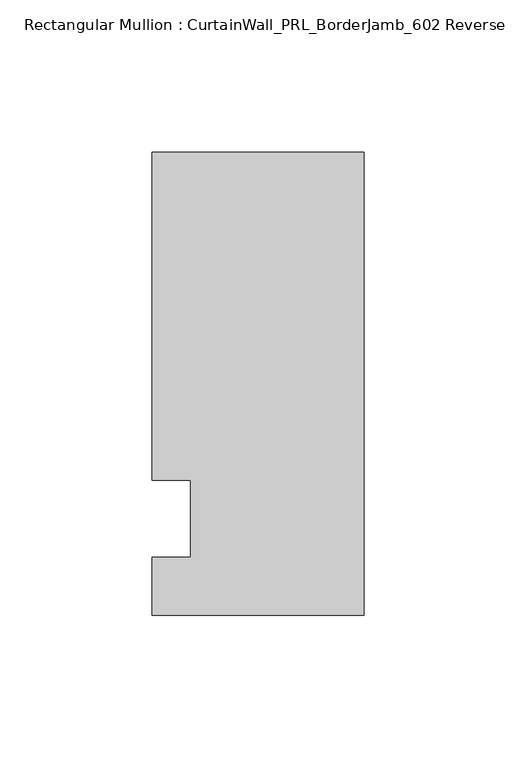
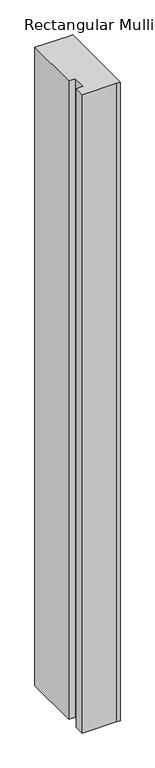
"""IFC4 building model written with IfcOpenShell, lengths in millimetres: member geometry, Rectangular Mullion : CurtainWall_PRL_BorderJamb_602 Reverse."""

from ifc_helpers import new_model, si_unit, frame, origin, place, context, project, spatial, polyline, outline, extrude, source, transform, mapped, element, save


def rectangular_mullion_curtainwall_prl_borderjamb_602_reverse_bdc1af4a(model_context):
    return source(origin(), model_context, "Body", "SweptSolid", [
        extrude(outline(polyline([(-57.15, 12.7), (-69.85, 12.7), (-69.85, 120.65), (-6.35, 120.65), (0.0, 120.65), (0.0, -31.75), (-7.3958824, -31.75), (-69.85, -31.75), (-69.85, -12.7), (-57.15, -12.7), (-57.15, 12.7)])), frame((0.0, 0.0, -1250.95), z_axis=(0.0, 0.0, 1.0), x_axis=(1.0, 0.0, 0.0)), (0.0, 0.0, 1.0), 1250.95),
    ])


if __name__ == "__main__":
    model = new_model("IFC4")
    model_context = context("Model", 3, world=origin())
    ifc_project = project(units=[si_unit("LENGTHUNIT", "METRE", prefix="MILLI")], contexts=[model_context])
    site = spatial("IfcSite", under=ifc_project)
    building = spatial("IfcBuilding", under=site)
    placement = place(None, origin())
    rectangular_mullion_curtainwall_prl_borderjamb_602_reverse_shape = rectangular_mullion_curtainwall_prl_borderjamb_602_reverse_bdc1af4a(model_context)
    element("IfcMember", 1, ObjectType="Rectangular Mullion : CurtainWall_PRL_BorderJamb_602 Reverse", at=placement, inside=building, context=model_context, shape_type="MappedRepresentation", body=[
        mapped(rectangular_mullion_curtainwall_prl_borderjamb_602_reverse_shape, transform((0.0, 0.0, 0.0), x_axis=(1.0, 0.0, 0.0), y_axis=(0.0, 1.0, 0.0), z_axis=(0.0, 0.0, 1.0))),
    ])
    save(model, "model.ifc")
